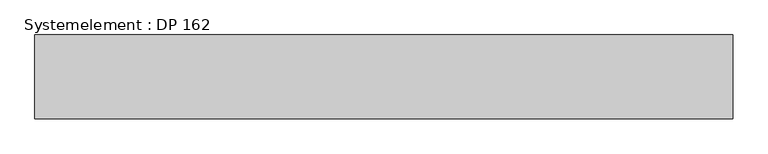
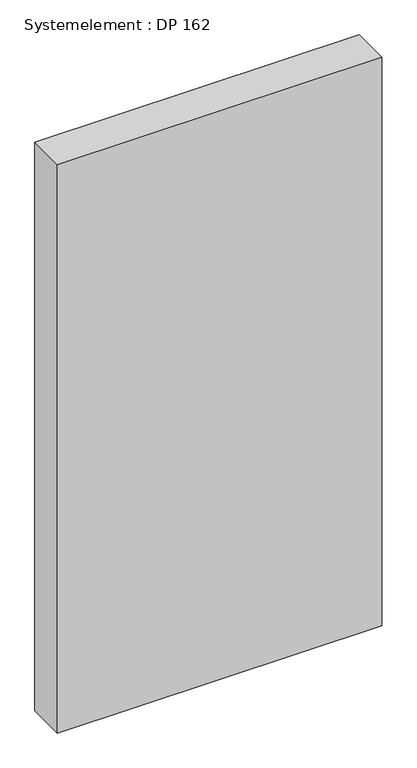
"""IFC4 building model written with IfcOpenShell, lengths in millimetres: plate geometry, Systemelement : DP 162."""

from ifc_helpers import new_model, si_unit, origin, origin_with_axes, place, context, project, spatial, polyline, outline, extrude, source, transform, mapped, element, save


def systemelement_dp_162_d5f9371b(model_context):
    return source(origin(), model_context, "Body", "SweptSolid", [
        extrude(outline(polyline([(500.0, -120.0), (-500.0, -120.0), (-500.0, 0.0), (500.0, 0.0), (500.0, -120.0)])), origin_with_axes(), (0.0, 0.0, 1.0), 1851.6147161),
    ])


if __name__ == "__main__":
    model = new_model("IFC4")
    model_context = context("Model", 3, world=origin())
    ifc_project = project(units=[si_unit("LENGTHUNIT", "METRE", prefix="MILLI")], contexts=[model_context])
    site = spatial("IfcSite", under=ifc_project)
    building = spatial("IfcBuilding", under=site)
    placement = place(None, origin())
    systemelement_dp_162_shape = systemelement_dp_162_d5f9371b(model_context)
    element("IfcPlate", 1, ObjectType="Systemelement : DP 162", at=placement, inside=building, context=model_context, shape_type="MappedRepresentation", body=[
        mapped(systemelement_dp_162_shape, transform((0.0, 0.0, 0.0), x_axis=(1.0, 0.0, 0.0), y_axis=(0.0, 1.0, 0.0), z_axis=(0.0, 0.0, 1.0))),
    ])
    save(model, "model.ifc")
